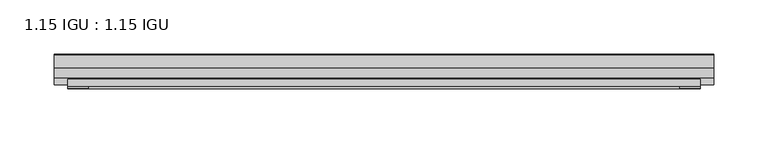
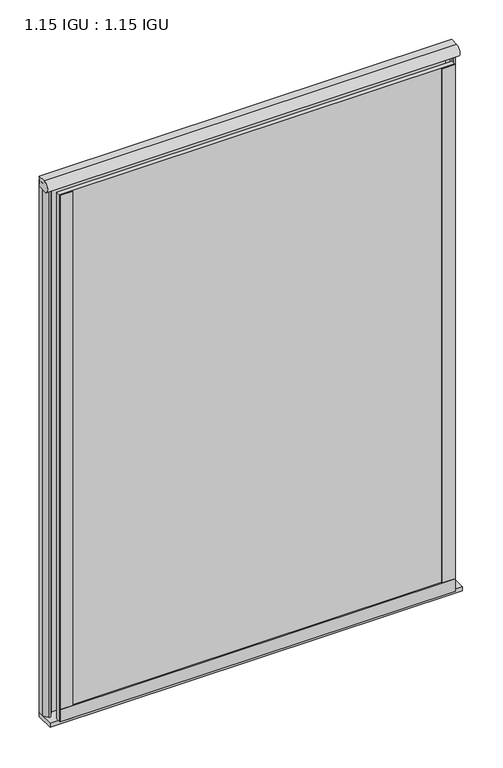
"""IFC4 building model written with IfcOpenShell, lengths in millimetres: plate geometry, 1.15 IGU : 1.15 IGU."""

from ifc_helpers import new_model, si_unit, point, frame, frame_2d, origin, place, context, project, spatial, polyline, circle_curve, ellipse_curve, trimmed, segment, composite_curve, outline, extrude, source, transform, mapped, element, save
from ifc_brep_helpers import plane_surface, revolved_surface, extruded_surface, advanced_brep


def plate_1_15_igu_1_15_igu_7c8ef19a(model_context):
    return source(origin(), model_context, "Body", "SolidModel", [
        extrude(outline(polyline([(292.1, 0.0), (292.1, -6.2992), (-292.1, -6.2992), (-292.1, 0.0), (292.1, 0.0)])), frame((0.0, 0.0, -19.05), z_axis=(0.0, 0.0, 1.0), x_axis=(1.0, 0.0, 0.0)), (0.0, 0.0, 1.0), 822.3250001),
        extrude(outline(polyline([(-292.1, -23.1648), (292.1, -23.1648), (292.1, -29.464), (-292.1, -29.464), (-292.1, -23.1648)])), frame((0.0, 0.0, -19.05), z_axis=(0.0, 0.0, 1.0), x_axis=(1.0, 0.0, 0.0)), (0.0, 0.0, 1.0), 822.3250001),
        advanced_brep(
        [(304.8, -0.8454205, 819.1500001), (304.8, -12.7, 819.1500001), (304.8, -17.3907831, 803.2750001), (304.8, 0.0, 803.2750001), (-304.8, -0.8454205, 819.1500001), (-304.8, 0.0, 803.2750001), (-304.8, -17.3907831, 803.2750001), (-304.8, -12.7, 819.1500001)],
        [
            (0, 1),
            (1, 2, ellipse_curve(frame((304.8, -12.7, 810.6263315), z_axis=(1.0, 0.0, 0.0), x_axis=(0.0, -1.0, 0.0)), 9.2680588, 8.5236686)),
            (2, 3),
            (3, 0, circle_curve(frame((304.8, 29.6035756, 812.8115449), z_axis=(-1.0, 0.0, 0.0), x_axis=(0.0, 0.0, 1.0)), 31.1017263)),
            (4, 5, circle_curve(frame((-304.8, 29.6035756, 812.8115449), z_axis=(1.0, 0.0, 0.0), x_axis=(0.0, 0.0, 1.0)), 31.1017263)),
            (5, 6),
            (6, 7, ellipse_curve(frame((-304.8, -12.7, 810.6263315), z_axis=(-1.0, 0.0, 0.0), x_axis=(0.0, -1.0, 0.0)), 9.2680588, 8.5236686)),
            (7, 4),
            (0, 4),
            (7, 1),
            (6, 2),
            (5, 3),
        ],
        [
            plane_surface(frame((304.8, 0.0, 809.6250001), z_axis=(1.0, 0.0, 0.0), x_axis=(0.0, 1.0, 0.0))),
            plane_surface(frame((-304.8, 0.0, 809.6250001), z_axis=(-1.0, 0.0, 0.0), x_axis=(0.0, 1.0, 0.0))),
            plane_surface(frame((304.8, -0.8454205, 819.1500001), z_axis=(0.0, 0.0, 1.0), x_axis=(-1.0, 0.0, 0.0))),
            extruded_surface(trimmed(ellipse_curve(frame((-304.8, -12.7, 810.6263315), z_axis=(1.0, 0.0, 0.0), x_axis=(0.0, -1.0, 0.0)), 9.2680588, 8.5236686), [point((-304.8, -12.7, 819.1500001))], [point((-304.8, -17.3907831, 803.2750001))], True, "CARTESIAN"), (609.6, 0.0, 0.0), 609.6),
            plane_surface(frame((304.8, -17.3907831, 803.2750001), z_axis=(0.0, 0.0, -1.0), x_axis=(-1.0, 0.0, 0.0))),
            revolved_surface(polyline([(-304.8, 29.6035756, 843.9132711999999), (304.8, 29.6035756, 843.9132711999999)]), (304.8, 29.6035756, 812.8115449), (-1.0, 0.0, 0.0)),
        ],
        [
            (0, [[1, 2, 3, 4]]),
            (1, [[5, 6, 7, 8]]),
            (2, [[-1, 9, -8, 10]]),
            (3, [[-2, -10, -7, 11]]),
            (4, [[-3, -11, -6, 12]]),
            (5, [[-4, -12, -5, -9]]),
        ],
    ),
        extrude(outline(composite_curve([segment(trimmed(circle_curve(frame_2d((10.9021792, -22.6833935)), 11.4916952), [point((0.0, -19.05))], [point((-0.2638007, -25.4))], True, "CARTESIAN"), True, "CONTINUOUS"), segment(polyline([(-0.2638007, -25.4), (-27.9952564, -25.4), (-27.9952564, -19.05), (0.0, -19.05)]), True, "CONTINUOUS")], self_intersect=False)), frame((-304.8, 0.0, 0.0), z_axis=(1.0, 0.0, 0.0), x_axis=(0.0, 1.0, 0.0)), (0.0, 0.0, 1.0), 609.6),
        extrude(outline(composite_curve([segment(polyline([(304.8, 0.0), (304.8, -9.7395025), (299.2337691, -16.3730781)]), True, "CONTINUOUS"), segment(trimmed(circle_curve(frame_2d((298.2800941, -15.7728374)), 1.1268473), [point((299.2337691, -16.3730781))], [point((297.1791412, -16.0130197))], False, "CARTESIAN"), True, "CONTINUOUS"), segment(polyline([(297.1791412, -16.0130197), (296.1989498, -11.7377885)]), True, "CONTINUOUS"), segment(trimmed(circle_curve(frame_2d((296.0714979, -7.7683362)), 3.9714979), [point((296.1989498, -11.7377885))], [point((292.1001786, -7.8060014))], False, "CARTESIAN"), True, "CONTINUOUS"), segment(polyline([(292.1001786, -7.8060014), (292.1001786, 0.0), (304.8, 0.0)]), True, "CONTINUOUS")], self_intersect=False)), frame((0.0, 0.0, -19.05), z_axis=(0.0, 0.0, 1.0), x_axis=(1.0, 0.0, 0.0)), (0.0, 0.0, 1.0), 832.6374001),
        extrude(outline(composite_curve([segment(polyline([(-292.1, 8.8e-06), (-292.1, -7.7683362)]), True, "CONTINUOUS"), segment(trimmed(circle_curve(frame_2d((-296.0714979, -7.7683362)), 3.9714979), [point((-292.1, -7.7683362))], [point((-296.1989498, -11.7377885))], False, "CARTESIAN"), True, "CONTINUOUS"), segment(polyline([(-296.1989498, -11.7377885), (-297.1789843, -16.012436)]), True, "CONTINUOUS"), segment(trimmed(circle_curve(frame_2d((-298.2801933, -15.7723555)), 1.1270758), [point((-297.1789843, -16.012436))], [point((-299.2340327, -16.372764))], False, "CARTESIAN"), True, "CONTINUOUS"), segment(polyline([(-299.2340327, -16.372764), (-304.8, -9.7395025), (-304.8, 8.8e-06), (-292.1, 8.8e-06)]), True, "CONTINUOUS")], self_intersect=False)), frame((0.0, 0.0, -19.05), z_axis=(0.0, 0.0, 1.0), x_axis=(1.0, 0.0, 0.0)), (0.0, 0.0, 1.0), 832.6374001),
        extrude(outline(polyline([(-292.1, -31.75), (-292.1, -29.464), (292.1, -29.464), (292.1, -31.75), (-292.1, -31.75)])), frame((0.0, 0.0, -19.05), z_axis=(0.0, 0.0, 1.0), x_axis=(1.0, 0.0, 0.0)), (0.0, 0.0, 1.0), 19.05),
        extrude(outline(polyline([(273.05, -29.464), (292.1, -29.464), (292.1, -31.75), (273.05, -31.75), (273.05, -29.464)])), frame((0.0, 0.0, -19.05), z_axis=(0.0, 0.0, 1.0), x_axis=(1.0, 0.0, 0.0)), (0.0, 0.0, 1.0), 822.3250001),
        extrude(outline(polyline([(-292.1, -31.75), (-292.1, -29.464), (-273.05, -29.464), (-273.05, -31.75), (-292.1, -31.75)])), frame((0.0, 0.0, -19.05), z_axis=(0.0, 0.0, 1.0), x_axis=(1.0, 0.0, 0.0)), (0.0, 0.0, 1.0), 822.3250001),
    ])


if __name__ == "__main__":
    model = new_model("IFC4")
    model_context = context("Model", 3, world=origin())
    ifc_project = project(units=[si_unit("LENGTHUNIT", "METRE", prefix="MILLI")], contexts=[model_context])
    site = spatial("IfcSite", under=ifc_project)
    building = spatial("IfcBuilding", under=site)
    placement = place(None, origin())
    plate_1_15_igu_1_15_igu_shape = plate_1_15_igu_1_15_igu_7c8ef19a(model_context)
    element("IfcPlate", 1, ObjectType="1.15 IGU : 1.15 IGU", at=placement, inside=building, context=model_context, shape_type="MappedRepresentation", body=[
        mapped(plate_1_15_igu_1_15_igu_shape, transform((0.0, 0.0, 0.0), x_axis=(1.0, 0.0, 0.0), y_axis=(0.0, 1.0, 0.0), z_axis=(0.0, 0.0, 1.0))),
    ])
    save(model, "model.ifc")
